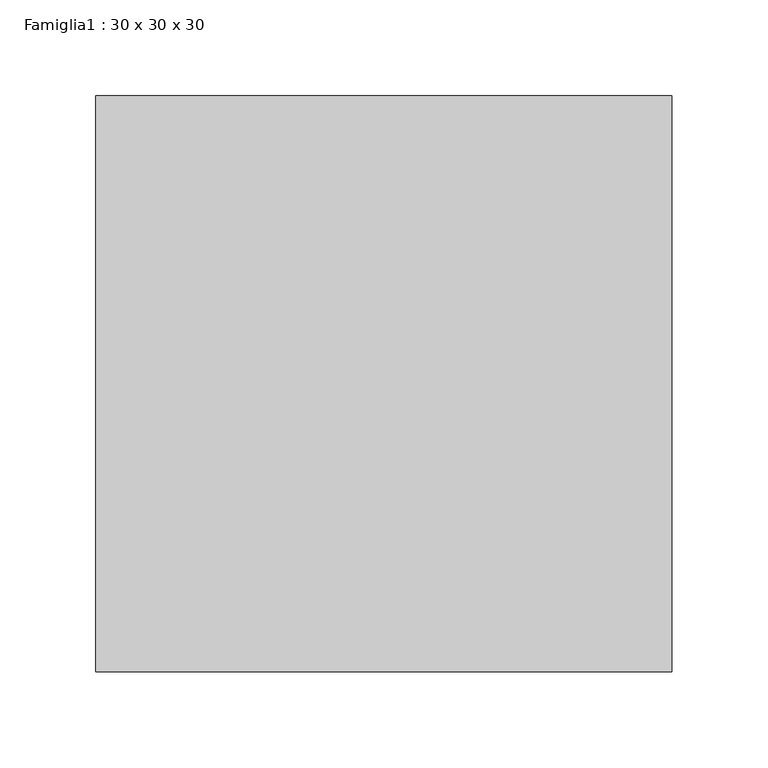
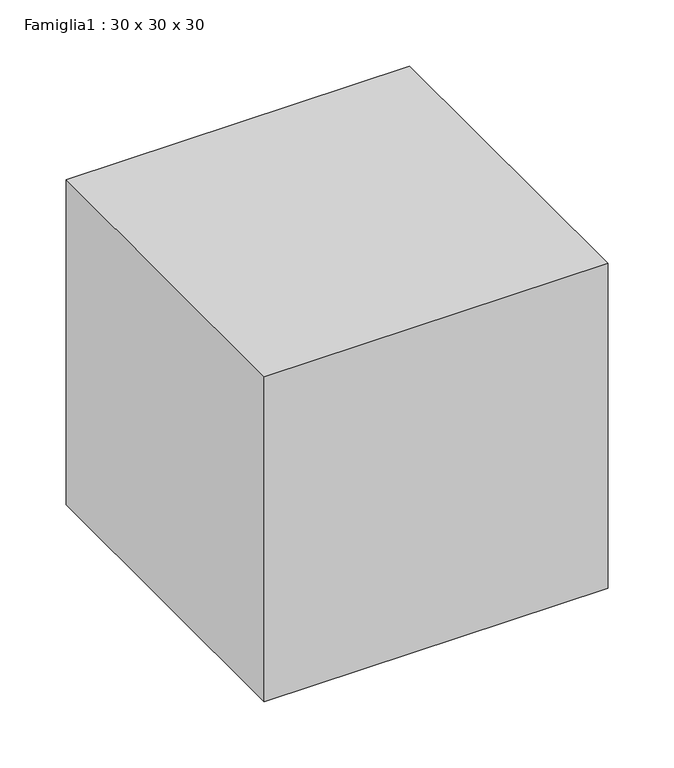
"""IFC4 building model written with IfcOpenShell, lengths in millimetres: proxy geometry, Famiglia1 : 30 x 30 x 30."""

from ifc_helpers import new_model, si_unit, origin, origin_with_axes, place, context, project, spatial, polyline, outline, extrude, source, transform, mapped, element, save


def famiglia1_30_x_30_x_30_e7704c1c(model_context):
    return source(origin(), model_context, "Body", "SweptSolid", [
        extrude(outline(polyline([(0.0, 0.0), (300.0, 0.0), (300.0, -300.0), (0.0, -300.0), (0.0, 0.0)])), origin_with_axes(), (0.0, 0.0, 1.0), 300.0),
    ])


if __name__ == "__main__":
    model = new_model("IFC4")
    model_context = context("Model", 3, world=origin())
    ifc_project = project(units=[si_unit("LENGTHUNIT", "METRE", prefix="MILLI")], contexts=[model_context])
    site = spatial("IfcSite", under=ifc_project)
    building = spatial("IfcBuilding", under=site)
    placement = place(None, origin())
    famiglia1_30_x_30_x_30_shape = famiglia1_30_x_30_x_30_e7704c1c(model_context)
    element("IfcBuildingElementProxy", 1, Name="Famiglia1 : 30 x 30 x 30", ObjectType="Famiglia1 : 30 x 30 x 30", at=placement, inside=building, context=model_context, shape_type="MappedRepresentation", body=[
        mapped(famiglia1_30_x_30_x_30_shape, transform((0.0, 0.0, 0.0), x_axis=(1.0, 0.0, 0.0), y_axis=(0.0, 1.0, 0.0), z_axis=(0.0, 0.0, 1.0))),
    ])
    save(model, "model.ifc")
